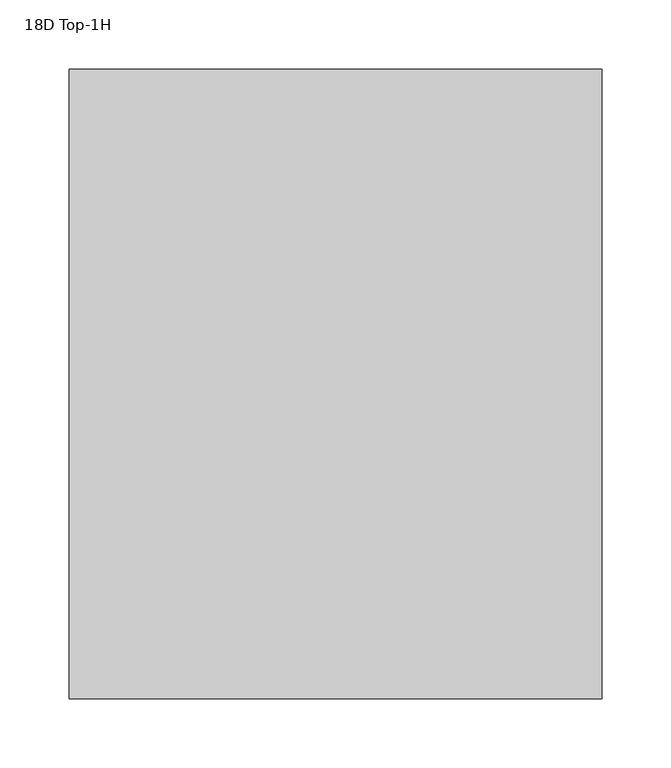
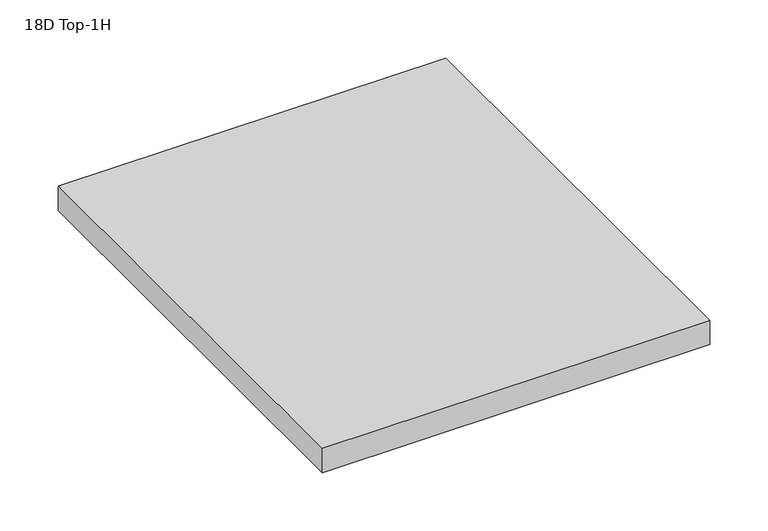
"""IFC4 building model written with IfcOpenShell, lengths in millimetres: furniture geometry, 18D Top-1H."""

import ifcopenshell
import ifcopenshell.guid

model = None  # the IFC model being written
_history = None  # IfcOwnerHistory: only IFC2X3 demands one
_inside = {}  # id of a spatial element -> (the spatial element, [elements in it])
_under = {}  # id of a project, library or spatial element -> (it, [spatial elements below it])
_declared = {}  # id of a project -> (the project, [libraries it declares])
_typed = {}  # id of a type object -> (the type object, [elements of that type])
_made_of = {}  # id of a material, layer set ... -> (it, [elements and type objects made of it])


def new_model(schema):
    """Start an empty IFC model of exactly this schema.

    Asked for "IFC4X3", IfcOpenShell would pick the latest addendum, in which some entities
    have other attributes; the version numbers below select the first issue.
    IFC2X3 requires an IfcOwnerHistory on every rooted entity: one is made here for all.
    """
    global model, _history
    if schema == "IFC4X3":
        model = ifcopenshell.file(schema_version=(4, 3, 0, 0))
    else:
        model = ifcopenshell.file(schema=schema)
    _inside.clear()
    _under.clear()
    _declared.clear()
    _typed.clear()
    _made_of.clear()
    _history = None
    if model.schema == "IFC2X3":
        org = make("IfcOrganization", Name="unknown")
        user = make(
            "IfcPersonAndOrganization",
            ThePerson=make("IfcPerson", FamilyName="unknown"),
            TheOrganization=org,
        )
        app = make(
            "IfcApplication",
            ApplicationDeveloper=org,
            Version="unknown",
            ApplicationFullName="unknown",
            ApplicationIdentifier="unknown",
        )
        _history = make(
            "IfcOwnerHistory",
            OwningUser=user,
            OwningApplication=app,
            ChangeAction="ADDED",
            CreationDate=0,
        )
    return model


def make(cls, **values):
    """One entity of the class cls with the attributes given. An attribute that is None is left unset."""
    return model.create_entity(
        cls, **{name: value for name, value in values.items() if value is not None}
    )


def rooted(cls, **values):
    """An entity with a GlobalId (a new one), such as an element, a storey or a relation."""
    return make(cls, GlobalId=ifcopenshell.guid.new(), OwnerHistory=_history, **values)


def si_unit(unit_type, name, prefix=None):
    """IfcSIUnit, for example si_unit("LENGTHUNIT", "METRE", prefix="MILLI")."""
    return make("IfcSIUnit", UnitType=unit_type, Prefix=prefix, Name=name)


def assignment(units):
    """IfcUnitAssignment: the units of a project."""
    return None if units is None else make("IfcUnitAssignment", Units=units)


def point(xyz):
    """IfcCartesianPoint."""
    return None if xyz is None else make("IfcCartesianPoint", Coordinates=xyz)


def direction(xyz):
    """IfcDirection."""
    return None if xyz is None else make("IfcDirection", DirectionRatios=xyz)


def frame(location, z_axis=None, x_axis=None):
    """IfcAxis2Placement3D, a coordinate frame: its origin and axes. An axis left out is left unset."""
    return make(
        "IfcAxis2Placement3D",
        Location=point(location),
        Axis=direction(z_axis),
        RefDirection=direction(x_axis),
    )


def origin():
    """The frame at (0, 0, 0) with its axes left unset."""
    return frame((0.0, 0.0, 0.0))


def place(relative_to, where):
    """IfcLocalPlacement: puts the frame where relative to a parent placement (None: the world)."""
    return make(
        "IfcLocalPlacement", PlacementRelTo=relative_to, RelativePlacement=where
    )


def context(
    kind, dimensions, precision=None, world=None, true_north=None, identifier=None
):
    """IfcGeometricRepresentationContext, for example the 3D "Model" context."""
    return make(
        "IfcGeometricRepresentationContext",
        ContextIdentifier=identifier,
        ContextType=kind,
        CoordinateSpaceDimension=dimensions,
        Precision=precision,
        WorldCoordinateSystem=world,
        TrueNorth=true_north,
    )


def project(units=None, contexts=None):
    """IfcProject with its units and contexts."""
    return rooted(
        "IfcProject",
        Name="project",
        RepresentationContexts=contexts,
        UnitsInContext=assignment(units),
    )


def spatial(cls, under=None, at=None, **own):
    """A site, building, storey or space (cls), placed at a placement, below another one or the project."""
    s = rooted(cls, ObjectPlacement=at, **own)
    if under is not None:
        _under.setdefault(under.id(), (under, []))[1].append(s)
    return s


def polyline(points):
    """IfcPolyline through the points."""
    return make("IfcPolyline", Points=[point(p) for p in points])


def outline(outer, holes=None, kind="AREA"):
    """IfcArbitraryClosedProfileDef: a profile drawn as a closed curve; with holes, ...WithVoids."""
    if holes is None:
        return make("IfcArbitraryClosedProfileDef", ProfileType=kind, OuterCurve=outer)
    return make(
        "IfcArbitraryProfileDefWithVoids",
        ProfileType=kind,
        OuterCurve=outer,
        InnerCurves=holes,
    )


def extrude(swept, where, along, depth):
    """IfcExtrudedAreaSolid: the profile swept, set in the frame where, extruded along a direction by depth."""
    return make(
        "IfcExtrudedAreaSolid",
        SweptArea=swept,
        Position=where,
        ExtrudedDirection=direction(along),
        Depth=depth,
    )


def shape(context_of_items, identifier, shape_type, items):
    """IfcShapeRepresentation: the items that make up one representation, for example the "Body"."""
    return make(
        "IfcShapeRepresentation",
        ContextOfItems=context_of_items,
        RepresentationIdentifier=identifier,
        RepresentationType=shape_type,
        Items=items,
    )


def source(mapping_origin, context_of_items, identifier, shape_type, items):
    """IfcRepresentationMap: a shape defined once, which mapped items show again and again."""
    return make(
        "IfcRepresentationMap",
        MappingOrigin=mapping_origin,
        MappedRepresentation=shape(context_of_items, identifier, shape_type, items),
    )


def transform(
    local_origin,
    x_axis=None,
    y_axis=None,
    z_axis=None,
    scale=None,
    scale2=None,
    scale3=None,
    uniform=True,
):
    """IfcCartesianTransformationOperator3D, or its non-uniform kind. x_axis, y_axis, z_axis: its Axis1, 2, 3."""
    if uniform:
        return make(
            "IfcCartesianTransformationOperator3D",
            Axis1=direction(x_axis),
            Axis2=direction(y_axis),
            LocalOrigin=point(local_origin),
            Scale=scale,
            Axis3=direction(z_axis),
        )
    return make(
        "IfcCartesianTransformationOperator3DnonUniform",
        Axis1=direction(x_axis),
        Axis2=direction(y_axis),
        LocalOrigin=point(local_origin),
        Scale=scale,
        Axis3=direction(z_axis),
        Scale2=scale2,
        Scale3=scale3,
    )


def mapped(mapping_source, mapping_target):
    """IfcMappedItem: shows the shape of a source again, moved by a transform."""
    return make(
        "IfcMappedItem", MappingSource=mapping_source, MappingTarget=mapping_target
    )


def made_of(thing, what):
    """Note that an element or type object is made of a material, layer set ...; save() writes the relation."""
    if what is not None:
        _made_of.setdefault(what.id(), (what, []))[1].append(thing)
    return thing


def element(
    cls,
    number,
    at=None,
    inside=None,
    cuts=None,
    type_object=None,
    material=None,
    context=None,
    identifier="Body",
    shape_type=None,
    held_by="IfcProductDefinitionShape",
    body=None,
    shapes=None,
    **own,
):
    """One element of the class cls, such as IfcWall. Its Tag is "e" and its number.

    at: its placement. inside: the storey or other place that contains it. cuts: it is an
    opening in that element (IfcRelVoidsElement). A single representation is given by context,
    identifier, shape_type and body (its items); several are given by shapes. held_by: the class
    of the entity that holds the representations. save() writes the other relations.
    """
    e = rooted(cls, Tag="e%d" % number, ObjectPlacement=at, **own)
    if body is not None:
        shapes = [shape(context, identifier, shape_type, body)]
    if shapes is not None:
        e.Representation = make(held_by, Representations=shapes)
    if inside is not None:
        _inside.setdefault(inside.id(), (inside, []))[1].append(e)
    if cuts is not None:
        rooted(
            "IfcRelVoidsElement", RelatingBuildingElement=cuts, RelatedOpeningElement=e
        )
    if type_object is not None:
        _typed.setdefault(type_object.id(), (type_object, []))[1].append(e)
    return made_of(e, material)


def aggregate(whole, parts):
    """IfcRelAggregates: a whole, such as a stair, and the parts it consists of."""
    return rooted("IfcRelAggregates", RelatingObject=whole, RelatedObjects=parts)


def save(model, path):
    """Write the relations noted so far, then the file.

    IfcRelAggregates (storeys below a building ...), IfcRelContainedInSpatialStructure (elements
    in a storey), IfcRelDefinesByType, IfcRelAssociatesMaterial and IfcRelDeclares: one each for
    every whole, place, type object, material and project.
    """
    for whole, parts in _under.values():
        aggregate(whole, parts)
    for where, things in _inside.values():
        rooted(
            "IfcRelContainedInSpatialStructure",
            RelatedElements=things,
            RelatingStructure=where,
        )
    for kind, things in _typed.values():
        rooted("IfcRelDefinesByType", RelatedObjects=things, RelatingType=kind)
    for what, things in _made_of.values():
        rooted("IfcRelAssociatesMaterial", RelatedObjects=things, RelatingMaterial=what)
    for by, libraries in _declared.values():
        rooted("IfcRelDeclares", RelatingContext=by, RelatedDefinitions=libraries)
    model.write(path)


def furniture_18d_top_1h_2d37dc5e(model_context):
    return source(origin(), model_context, "Body", "SweptSolid", [
        extrude(outline(polyline([(384.302, -541.5889285), (384.302, -995.6139285), (0.0, -995.6139285), (0.0, -541.5889285), (384.302, -541.5889285)])), frame((0.0, 0.0, 524.51), z_axis=(0.0, 0.0, 1.0), x_axis=(1.0, 0.0, 0.0)), (0.0, 0.0, 1.0), 25.4),
    ])


if __name__ == "__main__":
    model = new_model("IFC4")
    model_context = context("Model", 3, world=origin())
    ifc_project = project(units=[si_unit("LENGTHUNIT", "METRE", prefix="MILLI")], contexts=[model_context])
    site = spatial("IfcSite", under=ifc_project)
    building = spatial("IfcBuilding", under=site)
    placement = place(None, origin())
    furniture_18d_top_1h_shape = furniture_18d_top_1h_2d37dc5e(model_context)
    element("IfcFurniture", 1, ObjectType="18D Top-1H", at=placement, inside=building, context=model_context, shape_type="MappedRepresentation", body=[
        mapped(furniture_18d_top_1h_shape, transform((0.0, 0.0, 0.0), x_axis=(1.0, 0.0, 0.0), y_axis=(0.0, 1.0, 0.0), z_axis=(0.0, 0.0, 1.0))),
    ])
    save(model, "model.ifc")
